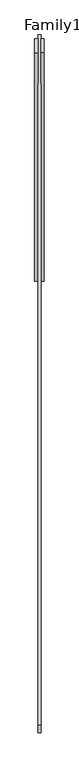
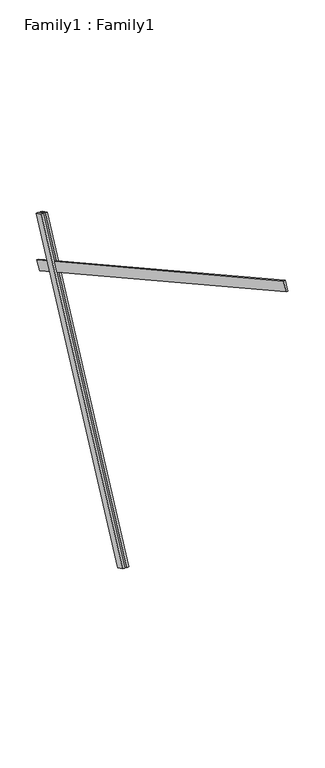
"""IFC4 building model written with IfcOpenShell, lengths in millimetres: proxy geometry, Family1 : Family1."""

from ifc_helpers import new_model, si_unit, frame, origin, place, context, project, spatial, polyline, outline, extrude, source, transform, mapped, element, save


def family1_family1_47dcd787(model_context):
    return source(origin(), model_context, "Body", "SweptSolid", [
        extrude(outline(polyline([(0.0, 0.0), (0.0, -20.0), (-100.0000001, -20.0), (-100.0000001, 0.0), (0.0, 0.0)])), frame((-30.0, 46.3241747, -22.5938096), z_axis=(0.0, 0.4383711467890692, 0.8987940462991711), x_axis=(0.0, 0.8987940462991711, -0.4383711467890692)), (0.0, 0.0, 1.0), 3300.0),
        extrude(outline(polyline([(0.0, 0.0), (0.0, -20.0), (-99.9999999, -20.0), (-99.9999999, 0.0), (0.0, 0.0)])), frame((10.0, 45.270232, -22.0797674), z_axis=(0.0, 0.4383711467890692, 0.8987940462991711), x_axis=(0.0, 0.8987940462991711, -0.4383711467890692)), (0.0, 0.0, 1.0), 3300.0),
        extrude(outline(polyline([(0.0, -20.0), (0.0, 0.0), (5000.0, 0.0), (5000.0, -20.0), (0.0, -20.0)])), frame((-10.0, -2905.9942018, 4750.6551806), z_axis=(0.0, 0.48480962024633906, 0.8746197071393949), x_axis=(0.0, 0.8746197071393949, -0.48480962024633906)), (0.0, 0.0, 1.0), 100.0),
    ])


if __name__ == "__main__":
    model = new_model("IFC4")
    model_context = context("Model", 3, world=origin())
    ifc_project = project(units=[si_unit("LENGTHUNIT", "METRE", prefix="MILLI")], contexts=[model_context])
    site = spatial("IfcSite", under=ifc_project)
    building = spatial("IfcBuilding", under=site)
    placement = place(None, origin())
    family1_family1_shape = family1_family1_47dcd787(model_context)
    element("IfcBuildingElementProxy", 1, Name="Family1 : Family1", ObjectType="Family1 : Family1", at=placement, inside=building, context=model_context, shape_type="MappedRepresentation", body=[
        mapped(family1_family1_shape, transform((0.0, 0.0, 0.0), x_axis=(1.0, 0.0, 0.0), y_axis=(0.0, 1.0, 0.0), z_axis=(0.0, 0.0, 1.0))),
    ])
    save(model, "model.ifc")
